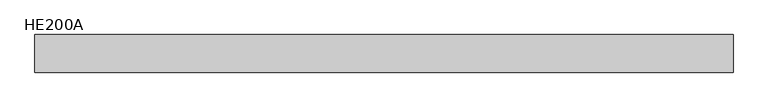
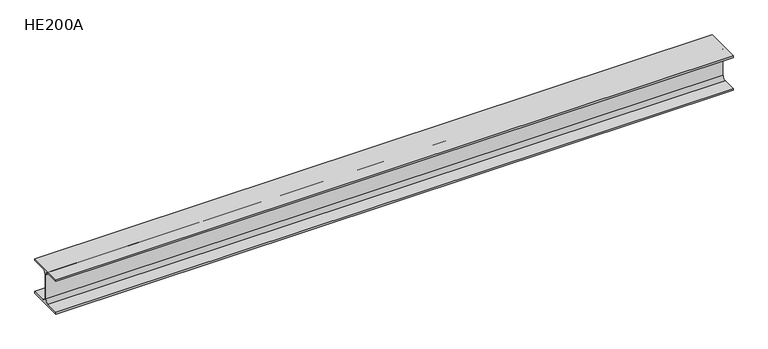
"""IFC4 building model written with IfcOpenShell, lengths in millimetres: beam geometry, HE200A."""

from ifc_helpers import new_model, si_unit, point, frame, frame_2d, origin, place, context, project, spatial, polyline, circle_curve, trimmed, segment, composite_curve, outline, extrude, source, transform, mapped, element, save


def he200a_bb822eae(model_context):
    return source(origin(), model_context, "Body", "SweptSolid", [
        extrude(outline(composite_curve([segment(polyline([(100.0, -90.0), (100.0, -100.0), (-100.0, -100.0), (-100.0, -90.0), (-24.0, -90.0)]), True, "CONTINUOUS"), segment(trimmed(circle_curve(frame_2d((-24.0, -70.0)), 20.0), [point((-24.0, -90.0))], [point((-4.0, -70.0))], True, "CARTESIAN"), True, "CONTINUOUS"), segment(polyline([(-4.0, -70.0), (-4.0, 70.0)]), True, "CONTINUOUS"), segment(trimmed(circle_curve(frame_2d((-24.0, 70.0)), 20.0), [point((-4.0, 70.0))], [point((-24.0, 90.0))], True, "CARTESIAN"), True, "CONTINUOUS"), segment(polyline([(-24.0, 90.0), (-100.0, 90.0), (-100.0, 100.0), (100.0, 100.0), (100.0, 90.0), (24.0, 90.0)]), True, "CONTINUOUS"), segment(trimmed(circle_curve(frame_2d((24.0, 70.0)), 20.0), [point((24.0, 90.0))], [point((4.0, 70.0))], True, "CARTESIAN"), True, "CONTINUOUS"), segment(polyline([(4.0, 70.0), (4.0, -70.0)]), True, "CONTINUOUS"), segment(trimmed(circle_curve(frame_2d((24.0, -70.0)), 20.0), [point((4.0, -70.0))], [point((24.0, -90.0))], True, "CARTESIAN"), True, "CONTINUOUS"), segment(polyline([(24.0, -90.0), (100.0, -90.0)]), True, "CONTINUOUS")], self_intersect=False)), frame((-1865.5, 0.0, 0.0), z_axis=(1.0, 0.0, 0.0), x_axis=(0.0, 1.0, 0.0)), (0.0, 0.0, 1.0), 3711.0),
    ])


if __name__ == "__main__":
    model = new_model("IFC4")
    model_context = context("Model", 3, world=origin())
    ifc_project = project(units=[si_unit("LENGTHUNIT", "METRE", prefix="MILLI")], contexts=[model_context])
    site = spatial("IfcSite", under=ifc_project)
    building = spatial("IfcBuilding", under=site)
    placement = place(None, origin())
    he200a_shape = he200a_bb822eae(model_context)
    element("IfcBeam", 1, ObjectType="HE200A", at=placement, inside=building, context=model_context, shape_type="MappedRepresentation", body=[
        mapped(he200a_shape, transform((0.0, 0.0, 0.0), x_axis=(1.0, 0.0, 0.0), y_axis=(0.0, 1.0, 0.0), z_axis=(0.0, 0.0, 1.0))),
    ])
    save(model, "model.ifc")
